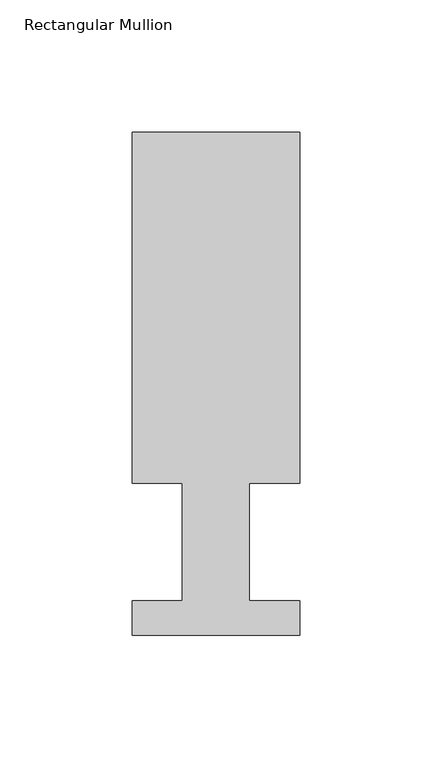
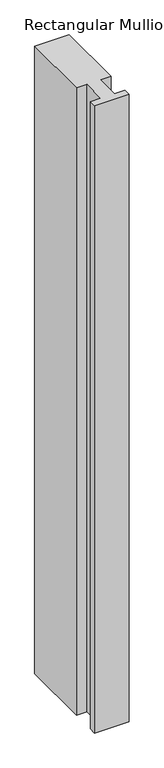
"""IFC4 building model written with IfcOpenShell, lengths in millimetres: member geometry, Rectangular Mullion."""

from ifc_helpers import new_model, si_unit, frame, origin, place, context, project, spatial, polyline, outline, extrude, source, transform, mapped, element, save


def rectangular_mullion_32c8af4d(model_context):
    return source(origin(), model_context, "Body", "SweptSolid", [
        extrude(outline(polyline([(-31.75, 190.5896938), (31.75, 190.5896938), (31.75, 57.6460937), (12.7, 57.6460937), (12.7, 13.1960938), (31.75, 13.1960938), (31.75, 0.0134938), (-31.75, 0.0134938), (-31.75, 13.1960938), (-12.7, 13.1960938), (-12.7, 57.6460937), (-31.75, 57.6460937), (-31.75, 190.5896938)])), frame((0.0, 0.0, -1219.2), z_axis=(0.0, 0.0, 1.0), x_axis=(1.0, 0.0, 0.0)), (0.0, 0.0, 1.0), 1219.2),
    ])


if __name__ == "__main__":
    model = new_model("IFC4")
    model_context = context("Model", 3, world=origin())
    ifc_project = project(units=[si_unit("LENGTHUNIT", "METRE", prefix="MILLI")], contexts=[model_context])
    site = spatial("IfcSite", under=ifc_project)
    building = spatial("IfcBuilding", under=site)
    placement = place(None, origin())
    rectangular_mullion_shape = rectangular_mullion_32c8af4d(model_context)
    element("IfcMember", 1, ObjectType="Rectangular Mullion", at=placement, inside=building, context=model_context, shape_type="MappedRepresentation", body=[
        mapped(rectangular_mullion_shape, transform((0.0, 0.0, 0.0), x_axis=(1.0, 0.0, 0.0), y_axis=(0.0, 1.0, 0.0), z_axis=(0.0, 0.0, 1.0))),
    ])
    save(model, "model.ifc")
